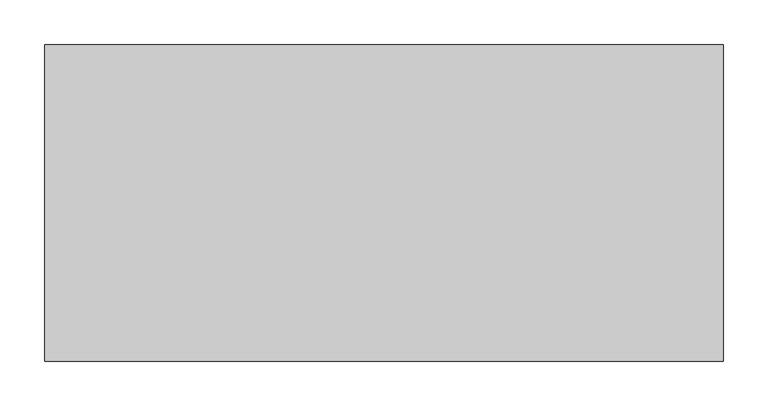
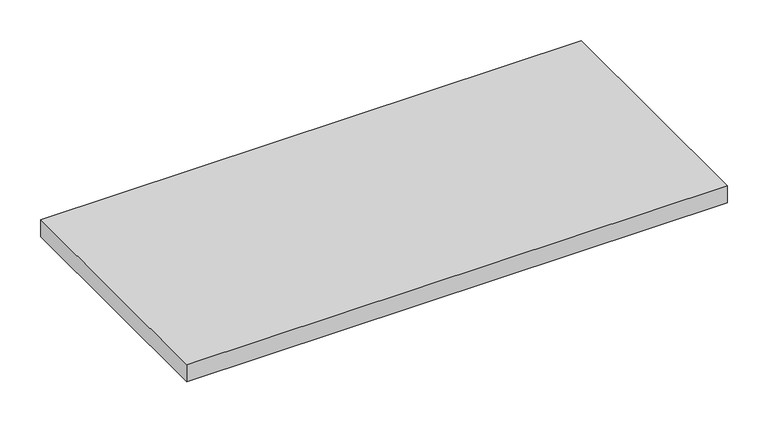
"""IFC4 building model written with IfcOpenShell, lengths in millimetres: furniture geometry."""

import ifcopenshell
import ifcopenshell.guid

model = None  # the IFC model being written
_history = None  # IfcOwnerHistory: only IFC2X3 demands one
_inside = {}  # id of a spatial element -> (the spatial element, [elements in it])
_under = {}  # id of a project, library or spatial element -> (it, [spatial elements below it])
_declared = {}  # id of a project -> (the project, [libraries it declares])
_typed = {}  # id of a type object -> (the type object, [elements of that type])
_made_of = {}  # id of a material, layer set ... -> (it, [elements and type objects made of it])


def new_model(schema):
    """Start an empty IFC model of exactly this schema.

    Asked for "IFC4X3", IfcOpenShell would pick the latest addendum, in which some entities
    have other attributes; the version numbers below select the first issue.
    IFC2X3 requires an IfcOwnerHistory on every rooted entity: one is made here for all.
    """
    global model, _history
    if schema == "IFC4X3":
        model = ifcopenshell.file(schema_version=(4, 3, 0, 0))
    else:
        model = ifcopenshell.file(schema=schema)
    _inside.clear()
    _under.clear()
    _declared.clear()
    _typed.clear()
    _made_of.clear()
    _history = None
    if model.schema == "IFC2X3":
        org = make("IfcOrganization", Name="unknown")
        user = make(
            "IfcPersonAndOrganization",
            ThePerson=make("IfcPerson", FamilyName="unknown"),
            TheOrganization=org,
        )
        app = make(
            "IfcApplication",
            ApplicationDeveloper=org,
            Version="unknown",
            ApplicationFullName="unknown",
            ApplicationIdentifier="unknown",
        )
        _history = make(
            "IfcOwnerHistory",
            OwningUser=user,
            OwningApplication=app,
            ChangeAction="ADDED",
            CreationDate=0,
        )
    return model


def make(cls, **values):
    """One entity of the class cls with the attributes given. An attribute that is None is left unset."""
    return model.create_entity(
        cls, **{name: value for name, value in values.items() if value is not None}
    )


def rooted(cls, **values):
    """An entity with a GlobalId (a new one), such as an element, a storey or a relation."""
    return make(cls, GlobalId=ifcopenshell.guid.new(), OwnerHistory=_history, **values)


def si_unit(unit_type, name, prefix=None):
    """IfcSIUnit, for example si_unit("LENGTHUNIT", "METRE", prefix="MILLI")."""
    return make("IfcSIUnit", UnitType=unit_type, Prefix=prefix, Name=name)


def assignment(units):
    """IfcUnitAssignment: the units of a project."""
    return None if units is None else make("IfcUnitAssignment", Units=units)


def point(xyz):
    """IfcCartesianPoint."""
    return None if xyz is None else make("IfcCartesianPoint", Coordinates=xyz)


def direction(xyz):
    """IfcDirection."""
    return None if xyz is None else make("IfcDirection", DirectionRatios=xyz)


def frame(location, z_axis=None, x_axis=None):
    """IfcAxis2Placement3D, a coordinate frame: its origin and axes. An axis left out is left unset."""
    return make(
        "IfcAxis2Placement3D",
        Location=point(location),
        Axis=direction(z_axis),
        RefDirection=direction(x_axis),
    )


def origin():
    """The frame at (0, 0, 0) with its axes left unset."""
    return frame((0.0, 0.0, 0.0))


def place(relative_to, where):
    """IfcLocalPlacement: puts the frame where relative to a parent placement (None: the world)."""
    return make(
        "IfcLocalPlacement", PlacementRelTo=relative_to, RelativePlacement=where
    )


def context(
    kind, dimensions, precision=None, world=None, true_north=None, identifier=None
):
    """IfcGeometricRepresentationContext, for example the 3D "Model" context."""
    return make(
        "IfcGeometricRepresentationContext",
        ContextIdentifier=identifier,
        ContextType=kind,
        CoordinateSpaceDimension=dimensions,
        Precision=precision,
        WorldCoordinateSystem=world,
        TrueNorth=true_north,
    )


def project(units=None, contexts=None):
    """IfcProject with its units and contexts."""
    return rooted(
        "IfcProject",
        Name="project",
        RepresentationContexts=contexts,
        UnitsInContext=assignment(units),
    )


def spatial(cls, under=None, at=None, **own):
    """A site, building, storey or space (cls), placed at a placement, below another one or the project."""
    s = rooted(cls, ObjectPlacement=at, **own)
    if under is not None:
        _under.setdefault(under.id(), (under, []))[1].append(s)
    return s


def polyline(points):
    """IfcPolyline through the points."""
    return make("IfcPolyline", Points=[point(p) for p in points])


def outline(outer, holes=None, kind="AREA"):
    """IfcArbitraryClosedProfileDef: a profile drawn as a closed curve; with holes, ...WithVoids."""
    if holes is None:
        return make("IfcArbitraryClosedProfileDef", ProfileType=kind, OuterCurve=outer)
    return make(
        "IfcArbitraryProfileDefWithVoids",
        ProfileType=kind,
        OuterCurve=outer,
        InnerCurves=holes,
    )


def extrude(swept, where, along, depth):
    """IfcExtrudedAreaSolid: the profile swept, set in the frame where, extruded along a direction by depth."""
    return make(
        "IfcExtrudedAreaSolid",
        SweptArea=swept,
        Position=where,
        ExtrudedDirection=direction(along),
        Depth=depth,
    )


def shape(context_of_items, identifier, shape_type, items):
    """IfcShapeRepresentation: the items that make up one representation, for example the "Body"."""
    return make(
        "IfcShapeRepresentation",
        ContextOfItems=context_of_items,
        RepresentationIdentifier=identifier,
        RepresentationType=shape_type,
        Items=items,
    )


def source(mapping_origin, context_of_items, identifier, shape_type, items):
    """IfcRepresentationMap: a shape defined once, which mapped items show again and again."""
    return make(
        "IfcRepresentationMap",
        MappingOrigin=mapping_origin,
        MappedRepresentation=shape(context_of_items, identifier, shape_type, items),
    )


def transform(
    local_origin,
    x_axis=None,
    y_axis=None,
    z_axis=None,
    scale=None,
    scale2=None,
    scale3=None,
    uniform=True,
):
    """IfcCartesianTransformationOperator3D, or its non-uniform kind. x_axis, y_axis, z_axis: its Axis1, 2, 3."""
    if uniform:
        return make(
            "IfcCartesianTransformationOperator3D",
            Axis1=direction(x_axis),
            Axis2=direction(y_axis),
            LocalOrigin=point(local_origin),
            Scale=scale,
            Axis3=direction(z_axis),
        )
    return make(
        "IfcCartesianTransformationOperator3DnonUniform",
        Axis1=direction(x_axis),
        Axis2=direction(y_axis),
        LocalOrigin=point(local_origin),
        Scale=scale,
        Axis3=direction(z_axis),
        Scale2=scale2,
        Scale3=scale3,
    )


def mapped(mapping_source, mapping_target):
    """IfcMappedItem: shows the shape of a source again, moved by a transform."""
    return make(
        "IfcMappedItem", MappingSource=mapping_source, MappingTarget=mapping_target
    )


def made_of(thing, what):
    """Note that an element or type object is made of a material, layer set ...; save() writes the relation."""
    if what is not None:
        _made_of.setdefault(what.id(), (what, []))[1].append(thing)
    return thing


def element(
    cls,
    number,
    at=None,
    inside=None,
    cuts=None,
    type_object=None,
    material=None,
    context=None,
    identifier="Body",
    shape_type=None,
    held_by="IfcProductDefinitionShape",
    body=None,
    shapes=None,
    **own,
):
    """One element of the class cls, such as IfcWall. Its Tag is "e" and its number.

    at: its placement. inside: the storey or other place that contains it. cuts: it is an
    opening in that element (IfcRelVoidsElement). A single representation is given by context,
    identifier, shape_type and body (its items); several are given by shapes. held_by: the class
    of the entity that holds the representations. save() writes the other relations.
    """
    e = rooted(cls, Tag="e%d" % number, ObjectPlacement=at, **own)
    if body is not None:
        shapes = [shape(context, identifier, shape_type, body)]
    if shapes is not None:
        e.Representation = make(held_by, Representations=shapes)
    if inside is not None:
        _inside.setdefault(inside.id(), (inside, []))[1].append(e)
    if cuts is not None:
        rooted(
            "IfcRelVoidsElement", RelatingBuildingElement=cuts, RelatedOpeningElement=e
        )
    if type_object is not None:
        _typed.setdefault(type_object.id(), (type_object, []))[1].append(e)
    return made_of(e, material)


def aggregate(whole, parts):
    """IfcRelAggregates: a whole, such as a stair, and the parts it consists of."""
    return rooted("IfcRelAggregates", RelatingObject=whole, RelatedObjects=parts)


def save(model, path):
    """Write the relations noted so far, then the file.

    IfcRelAggregates (storeys below a building ...), IfcRelContainedInSpatialStructure (elements
    in a storey), IfcRelDefinesByType, IfcRelAssociatesMaterial and IfcRelDeclares: one each for
    every whole, place, type object, material and project.
    """
    for whole, parts in _under.values():
        aggregate(whole, parts)
    for where, things in _inside.values():
        rooted(
            "IfcRelContainedInSpatialStructure",
            RelatedElements=things,
            RelatingStructure=where,
        )
    for kind, things in _typed.values():
        rooted("IfcRelDefinesByType", RelatedObjects=things, RelatingType=kind)
    for what, things in _made_of.values():
        rooted("IfcRelAssociatesMaterial", RelatedObjects=things, RelatingMaterial=what)
    for by, libraries in _declared.values():
        rooted("IfcRelDeclares", RelatingContext=by, RelatedDefinitions=libraries)
    model.write(path)


def furniture_ccd733de(model_context):
    return source(origin(), model_context, "Body", "SweptSolid", [
        extrude(outline(polyline([(381.0, -355.6), (-381.0, -355.6), (-381.0, 0.0), (381.0, 0.0), (381.0, -355.6)])), frame((0.0, 0.0, 1228.725), z_axis=(0.0, 0.0, 1.0), x_axis=(1.0, 0.0, 0.0)), (0.0, 0.0, 1.0), 25.4),
    ])


if __name__ == "__main__":
    model = new_model("IFC4")
    model_context = context("Model", 3, world=origin())
    ifc_project = project(units=[si_unit("LENGTHUNIT", "METRE", prefix="MILLI")], contexts=[model_context])
    site = spatial("IfcSite", under=ifc_project)
    building = spatial("IfcBuilding", under=site)
    placement = place(None, origin())
    furniture_shape = furniture_ccd733de(model_context)
    element("IfcFurniture", 1, at=placement, inside=building, context=model_context, shape_type="MappedRepresentation", body=[
        mapped(furniture_shape, transform((0.0, 0.0, 0.0), x_axis=(1.0, 0.0, 0.0), y_axis=(0.0, 1.0, 0.0), z_axis=(0.0, 0.0, 1.0))),
    ])
    save(model, "model.ifc")
